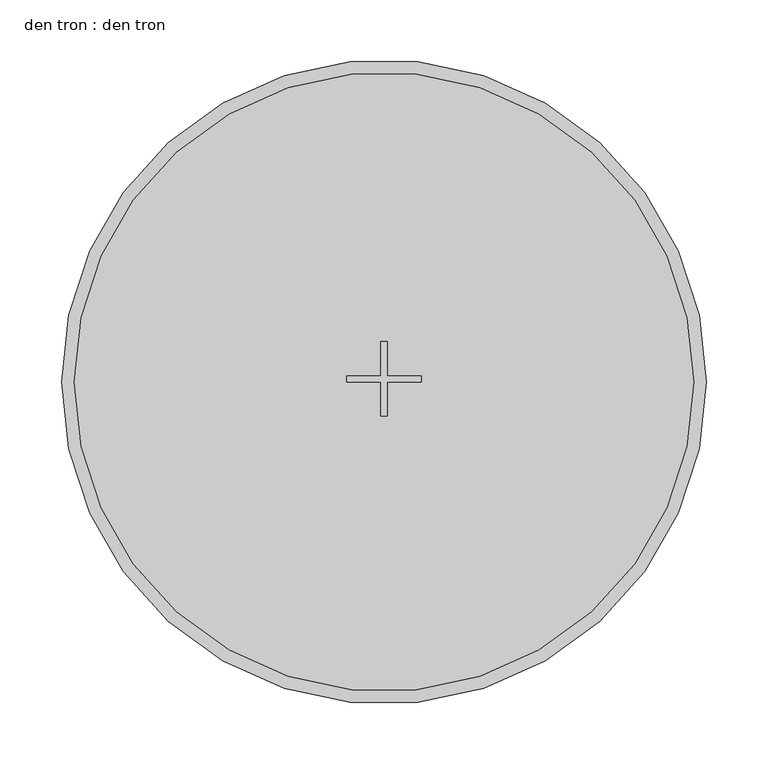
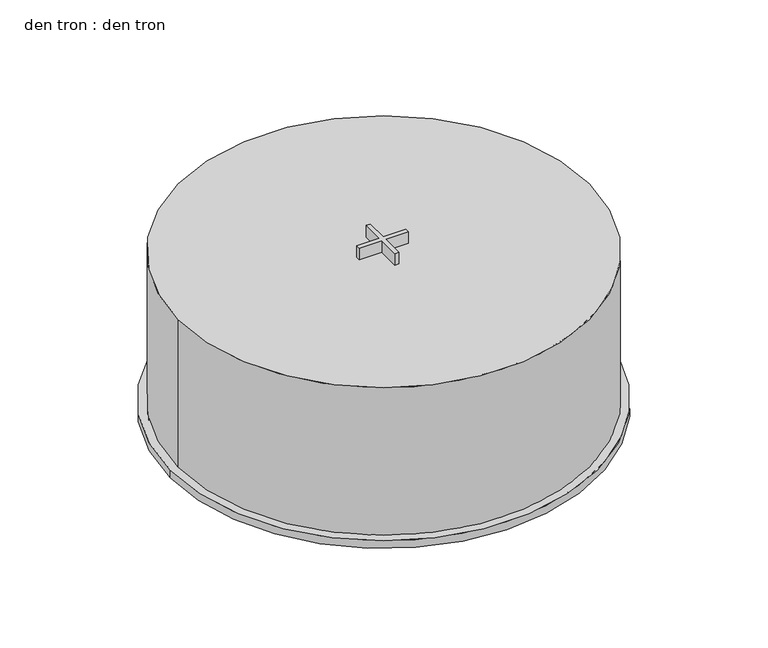
"""IFC4 building model written with IfcOpenShell, lengths in millimetres: light fixture geometry, den tron : den tron."""

from ifc_helpers import new_model, si_unit, point, frame, frame_2d, origin, origin_with_axes, place, context, project, spatial, polyline, circle_curve, trimmed, segment, composite_curve, outline, extrude, source, transform, mapped, element, save
from ifc_brep_helpers import plane_surface, cylinder_surface, revolved_surface, advanced_brep


def den_tron_den_tron_8b83f768(model_context):
    return source(origin(), model_context, "Body", "SolidModel", [
        extrude(outline(polyline([(-2.5, 30.0), (2.5, 30.0), (2.5, 2.5), (30.0, 2.5), (30.0, -2.5), (2.5, -2.5), (2.5, -30.0), (-2.5, -30.0), (-2.5, -2.5), (-30.0, -2.5), (-30.0, 2.5), (-2.5, 2.5), (-2.5, 30.0)])), frame((0.0, 0.0, 200.0), z_axis=(0.0, 0.0, 1.0), x_axis=(1.0, 0.0, 0.0)), (0.0, 0.0, 1.0), 15.0),
        extrude(outline(polyline([(-115.0, -115.0), (-115.0, 115.0), (115.0, 115.0), (115.0, -115.0), (-115.0, -115.0)])), origin_with_axes(), (0.0, 0.0, 1.0), 110.1842202),
        extrude(outline(composite_curve([segment(trimmed(circle_curve(frame_2d((0.0, -2.5)), 260.0), [point((-260.0, -2.5))], [point((260.0, -2.5))], False, "CARTESIAN"), True, "CONTINUOUS"), segment(trimmed(circle_curve(frame_2d((0.0, -2.5)), 260.0), [point((260.0, -2.5))], [point((-260.0, -2.5))], False, "CARTESIAN"), True, "CONTINUOUS")], self_intersect=False), holes=[composite_curve([segment(trimmed(circle_curve(frame_2d((0.0, -2.5)), 250.0), [point((-250.0, -2.5))], [point((250.0, -2.5))], True, "CARTESIAN"), True, "CONTINUOUS"), segment(trimmed(circle_curve(frame_2d((0.0, -2.5)), 250.0), [point((250.0, -2.5))], [point((-250.0, -2.5))], True, "CARTESIAN"), True, "CONTINUOUS")], self_intersect=False)]), origin_with_axes(), (0.0, 0.0, 1.0), 10.0),
        advanced_brep(
        [(-250.0, -2.5, 200.0), (250.0, -2.5, 200.0), (-250.0, -2.5, 0.0), (250.0, -2.5, 0.0), (-240.0, -2.5, 0.0), (240.0, -2.5, 0.0), (-240.0, -2.5, 190.0), (240.0, -2.5, 190.0)],
        [
            (0, 1, circle_curve(frame((0.0, -2.5, 200.0), z_axis=(0.0, 0.0, 1.0), x_axis=(1.0, 0.0, 0.0)), 250.0)),
            (1, 0, circle_curve(frame((0.0, -2.5, 200.0), z_axis=(0.0, 0.0, 1.0), x_axis=(1.0, 0.0, 0.0)), 250.0)),
            (2, 3, circle_curve(frame((0.0, -2.5, 0.0), z_axis=(0.0, 0.0, -1.0), x_axis=(1.0, 0.0, 0.0)), 250.0)),
            (3, 2, circle_curve(frame((0.0, -2.5, 0.0), z_axis=(0.0, 0.0, -1.0), x_axis=(1.0, 0.0, 0.0)), 250.0)),
            (4, 5, circle_curve(frame((0.0, -2.5, 0.0), z_axis=(0.0, 0.0, 1.0), x_axis=(1.0, 0.0, 0.0)), 240.0)),
            (5, 4, circle_curve(frame((0.0, -2.5, 0.0), z_axis=(0.0, 0.0, 1.0), x_axis=(1.0, 0.0, 0.0)), 240.0)),
            (0, 2),
            (3, 1),
            (6, 7, circle_curve(frame((0.0, -2.5, 190.0), z_axis=(0.0, 0.0, -1.0), x_axis=(1.0, 0.0, 0.0)), 240.0)),
            (7, 6, circle_curve(frame((0.0, -2.5, 190.0), z_axis=(0.0, 0.0, -1.0), x_axis=(1.0, 0.0, 0.0)), 240.0)),
            (7, 5),
            (4, 6),
        ],
        [
            plane_surface(frame((250.0, -2.5, 200.0), z_axis=(0.0, 0.0, 1.0), x_axis=(0.0, 1.0, 0.0))),
            plane_surface(frame((250.0, -2.5, 0.0), z_axis=(0.0, 0.0, -1.0), x_axis=(0.0, -1.0, 0.0))),
            cylinder_surface(frame((0.0, -2.5, 0.0), z_axis=(0.0, 0.0, 1.0), x_axis=(1.0, 0.0, 0.0)), 250.0),
            plane_surface(frame((240.0, -2.5, 190.0), z_axis=(0.0, 0.0, -1.0), x_axis=(0.0, 1.0, 0.0))),
            revolved_surface(polyline([(240.0, -2.5, 190.0), (240.0, -2.5, 0.0)]), (0.0, -2.5, 0.0), (0.0, 0.0, 1.0)),
        ],
        [
            (0, [[1, 2]]),
            (1, [[3, 4], [5, 6]]),
            (2, [[-1, 7, -4, 8]]),
            (2, [[-2, -8, -3, -7]]),
            (3, [[9, 10]]),
            (4, [[-10, 11, -5, 12]]),
            (4, [[-9, -12, -6, -11]]),
        ],
    ),
    ])


if __name__ == "__main__":
    model = new_model("IFC4")
    model_context = context("Model", 3, world=origin())
    ifc_project = project(units=[si_unit("LENGTHUNIT", "METRE", prefix="MILLI")], contexts=[model_context])
    site = spatial("IfcSite", under=ifc_project)
    building = spatial("IfcBuilding", under=site)
    placement = place(None, origin())
    den_tron_den_tron_shape = den_tron_den_tron_8b83f768(model_context)
    element("IfcLightFixture", 1, ObjectType="den tron : den tron", at=placement, inside=building, context=model_context, shape_type="MappedRepresentation", body=[
        mapped(den_tron_den_tron_shape, transform((0.0, 0.0, 0.0), x_axis=(1.0, 0.0, 0.0), y_axis=(0.0, 1.0, 0.0), z_axis=(0.0, 0.0, 1.0))),
    ])
    save(model, "model.ifc")
